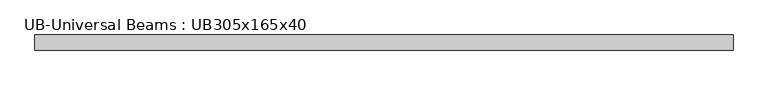
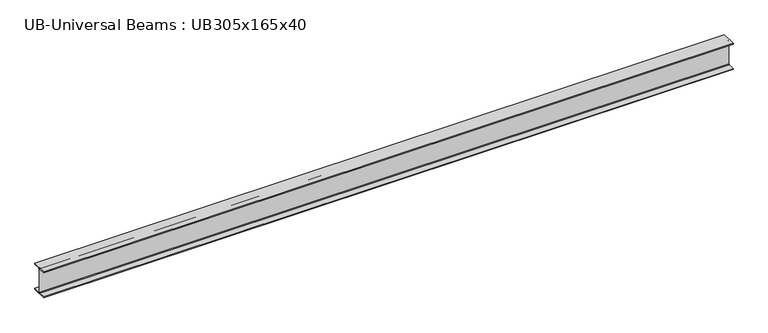
"""IFC4 building model written with IfcOpenShell, lengths in millimetres: beam geometry, UB-Universal Beams : UB305x165x40."""

from ifc_helpers import new_model, si_unit, point, frame, frame_2d, origin, place, context, project, spatial, polyline, circle_curve, trimmed, segment, composite_curve, outline, extrude, source, transform, mapped, element, save


def ub_universal_beams_ub305x165x40_8891053c(model_context):
    return source(origin(), model_context, "Body", "SweptSolid", [
        extrude(outline(composite_curve([segment(polyline([(82.5, -141.5), (82.5, -151.7), (-82.5, -151.7), (-82.5, -141.5), (-11.9, -141.5)]), True, "CONTINUOUS"), segment(trimmed(circle_curve(frame_2d((-11.9, -132.6)), 8.9), [point((-11.9, -141.5))], [point((-3.0, -132.6))], True, "CARTESIAN"), True, "CONTINUOUS"), segment(polyline([(-3.0, -132.6), (-3.0, 132.6)]), True, "CONTINUOUS"), segment(trimmed(circle_curve(frame_2d((-11.9, 132.6)), 8.9), [point((-3.0, 132.6))], [point((-11.9, 141.5))], True, "CARTESIAN"), True, "CONTINUOUS"), segment(polyline([(-11.9, 141.5), (-82.5, 141.5), (-82.5, 151.7), (82.5, 151.7), (82.5, 141.5), (11.9, 141.5)]), True, "CONTINUOUS"), segment(trimmed(circle_curve(frame_2d((11.9, 132.6)), 8.9), [point((11.9, 141.5))], [point((3.0, 132.6))], True, "CARTESIAN"), True, "CONTINUOUS"), segment(polyline([(3.0, 132.6), (3.0, -132.6)]), True, "CONTINUOUS"), segment(trimmed(circle_curve(frame_2d((11.9, -132.6)), 8.9), [point((3.0, -132.6))], [point((11.9, -141.5))], True, "CARTESIAN"), True, "CONTINUOUS"), segment(polyline([(11.9, -141.5), (82.5, -141.5)]), True, "CONTINUOUS")], self_intersect=False)), frame((-3804.8, 0.0, 0.0), z_axis=(1.0, 0.0, 0.0), x_axis=(0.0, 1.0, 0.0)), (0.0, 0.0, 1.0), 7622.3),
    ])


if __name__ == "__main__":
    model = new_model("IFC4")
    model_context = context("Model", 3, world=origin())
    ifc_project = project(units=[si_unit("LENGTHUNIT", "METRE", prefix="MILLI")], contexts=[model_context])
    site = spatial("IfcSite", under=ifc_project)
    building = spatial("IfcBuilding", under=site)
    placement = place(None, origin())
    ub_universal_beams_ub305x165x40_shape = ub_universal_beams_ub305x165x40_8891053c(model_context)
    element("IfcBeam", 1, ObjectType="UB-Universal Beams : UB305x165x40", at=placement, inside=building, context=model_context, shape_type="MappedRepresentation", body=[
        mapped(ub_universal_beams_ub305x165x40_shape, transform((0.0, 0.0, 0.0), x_axis=(1.0, 0.0, 0.0), y_axis=(0.0, 1.0, 0.0), z_axis=(0.0, 0.0, 1.0))),
    ])
    save(model, "model.ifc")
